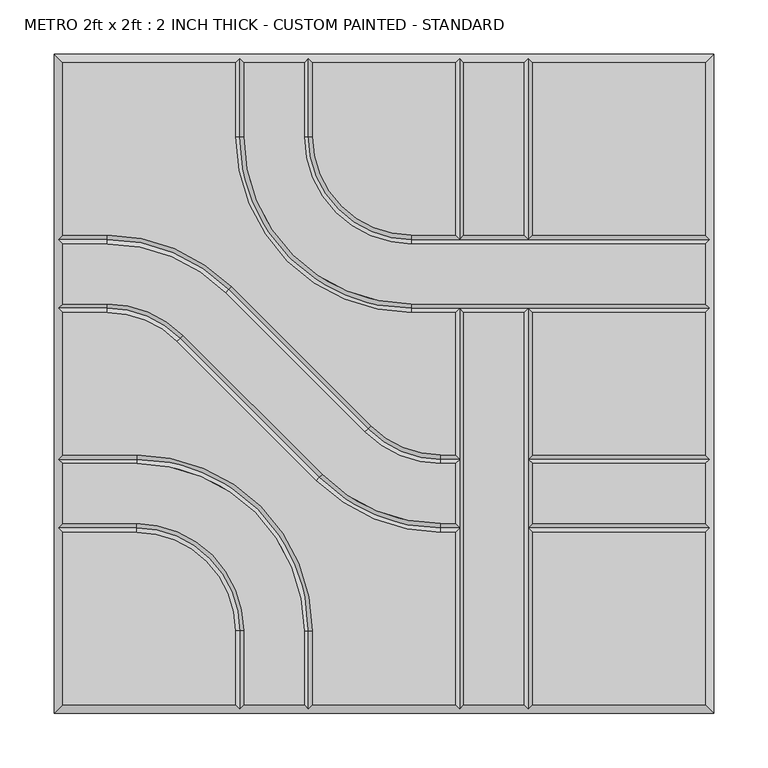
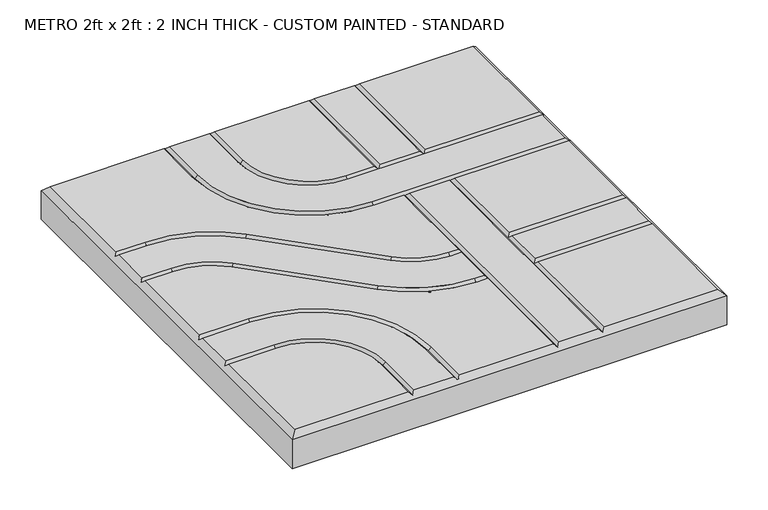
"""IFC4 building model written with IfcOpenShell, lengths in millimetres: proxy geometry, METRO 2ft x 2ft : 2 INCH THICK - CUSTOM PAINTED - STANDARD."""

from ifc_helpers import new_model, si_unit, frame, origin, place, context, project, spatial, polyline, circle_curve, source, transform, mapped, element, save
from ifc_brep_helpers import plane_surface, revolved_surface, advanced_brep


def metro_2ft_x_2ft_2_inch_thick_custom_painted_standard_fbb8f0d0(model_context):
    return source(origin(), model_context, "Body", "AdvancedBrep", [
        advanced_brep(
        [(-296.799, 296.799, 50.8), (-296.799, 137.3505125, 50.8), (-255.8081898, 137.3505125, 50.8), (-140.7286116, 89.6843987, 50.8), (-11.9143433, -39.124488, 50.8), (52.607449, -65.8495, 50.8), (65.8495, -65.8495, 50.8), (65.8495, 65.8494982, 50.8), (25.3995376, 65.8494982, 50.8), (-137.3509624, 228.5999982, 50.8), (-137.3509624, 296.799, 50.8), (296.799, 137.3504983, 50.8), (296.799, 296.799, 50.8), (137.3504989, 296.799, 50.8), (137.3504989, 137.3504983, 50.8), (-296.799, -137.3504992, 50.8), (-296.799, -296.799, 50.8), (-137.3505299, -296.799, 50.8), (-137.3505299, -228.5999992, 50.8), (-228.6000299, -137.3504992, 50.8), (137.3505, -296.799, 50.8), (296.799, -296.799, 50.8), (296.799, -137.3505, 50.8), (137.3505, -137.3505, 50.8), (52.607449, -73.8505, 50.8), (-17.5717865, -44.7821676, 50.8), (-146.3860548, 84.0267191, 50.8), (-255.8081898, 129.3495125, 50.8), (-296.799, 129.3495125, 50.8), (-296.799, 73.8505125, 50.8), (-255.8074396, 73.8505125, 50.8), (-185.6278585, 44.7818346, 50.8), (-56.8157432, -84.0261678, 50.8), (52.6069307, -129.3495, 50.8), (65.8495, -129.3495, 50.8), (65.8495, -73.8505, 50.8), (52.6069307, -137.3505, 50.8), (-62.4732142, -89.6838195, 50.8), (-191.2853295, 39.1241829, 50.8), (-255.8074396, 65.8495125, 50.8), (-296.799, 65.8495125, 50.8), (-296.799, -65.8494992, 50.8), (-228.6000171, -65.8494992, 50.8), (-65.8495171, -228.5999992, 50.8), (-65.8495171, -296.799, 50.8), (65.8495, -296.799, 50.8), (65.8495, -137.3505, 50.8), (-129.3495299, -228.5999992, 50.8), (-129.3495299, -296.799, 50.8), (-73.8505171, -296.799, 50.8), (-73.8505171, -228.5999992, 50.8), (-228.6000171, -73.8504992, 50.8), (-296.799, -73.8504992, 50.8), (-296.799, -129.3494992, 50.8), (-228.6000299, -129.3494992, 50.8), (-129.3499624, 296.799, 50.8), (-129.3499624, 228.5999982, 50.8), (25.3995376, 73.8504982, 50.8), (296.799, 73.8504982, 50.8), (296.799, 129.3494983, 50.8), (25.3995504, 129.3494983, 50.8), (-73.8509496, 228.5999983, 50.8), (-73.8509496, 296.799, 50.8), (-65.8499496, 296.799, 50.8), (-65.8499496, 228.5999983, 50.8), (25.3995504, 137.3504983, 50.8), (65.8494989, 137.3504983, 50.8), (65.8494989, 296.799, 50.8), (73.8504989, 296.799, 50.8), (73.8504989, 137.3504983, 50.8), (129.3494989, 137.3504983, 50.8), (129.3494989, 296.799, 50.8), (73.8505, 65.8494982, 50.8), (73.8505, -296.799, 50.8), (129.3495, -296.799, 50.8), (129.3495, 65.8494982, 50.8), (296.799, 65.8494982, 50.8), (137.3505, 65.8494982, 50.8), (137.3505, -65.8495, 50.8), (296.799, -65.8495, 50.8), (137.3505, -129.3495, 50.8), (296.799, -129.3495, 50.8), (296.799, -73.8505, 50.8), (137.3505, -73.8505, 50.8), (-304.8, 304.8, 0.0), (304.8, 304.8, 0.0), (304.8, -304.8, 0.0), (-304.8, -304.8, 0.0), (-304.8, -304.8, 42.799), (-304.8, 304.8, 42.799), (304.8, -304.8, 42.799), (304.8, 304.8, 42.799), (-133.3504624, 300.7995, 46.7995), (-69.8504496, 300.7995, 46.7995), (69.8499989, 300.7995, 46.7995), (133.3499989, 300.7995, 46.7995), (-300.7995, -133.3499992, 46.7995), (-300.7995, -69.8499992, 46.7995), (-300.7995, 69.8500125, 46.7995), (-300.7995, 133.3500125, 46.7995), (133.35, -300.7995, 46.7995), (69.85, -300.7995, 46.7995), (-69.8500171, -300.7995, 46.7995), (-133.3500299, -300.7995, 46.7995), (300.7995, 133.3499983, 46.7995), (300.7995, 69.8499982, 46.7995), (300.7995, -69.85, 46.7995), (300.7995, -133.35, 46.7995), (69.85, -69.85, 46.7995), (52.607449, -69.85, 46.7995), (-14.7430649, -41.9533278, 46.7995), (-143.5573332, 86.8555589, 46.7995), (-255.8081898, 133.3500125, 46.7995), (69.85, -133.35, 46.7995), (52.6069307, -133.35, 46.7995), (-59.6444787, -86.8549936, 46.7995), (-188.456594, 41.9530087, 46.7995), (-255.8074396, 69.8500125, 46.7995), (-133.3500299, -228.5999992, 46.7995), (-228.6000299, -133.3499992, 46.7995), (-228.6000171, -69.8499992, 46.7995), (-69.8500171, -228.5999992, 46.7995), (-133.3504624, 228.5999982, 46.7995), (25.3995376, 69.8499982, 46.7995), (69.85, 69.8499982, 46.7995), (133.35, 69.8499982, 46.7995), (-69.8504496, 228.5999983, 46.7995), (25.3995504, 133.3499983, 46.7995), (133.3499989, 133.3499983, 46.7995), (69.8499989, 133.3499983, 46.7995), (133.35, -133.35, 46.7995), (133.35, -69.85, 46.7995)],
        [
            (0, 1),
            (1, 2),
            (2, 3, circle_curve(frame((-255.8081898, -25.3999875, 50.8), z_axis=(0.0, 0.0, -1.0), x_axis=(0.7070920101993013, 0.7071215518652442, 0.0)), 162.7505)),
            (3, 4),
            (4, 5, circle_curve(frame((52.607449, 25.4, 50.8), z_axis=(0.0, 0.0, 1.0), x_axis=(0.0, -1.0, 0.0)), 91.2495)),
            (5, 6),
            (6, 7),
            (7, 8),
            (8, 9, circle_curve(frame((25.3995376, 228.5999982, 50.8), z_axis=(0.0, 0.0, -1.0), x_axis=(-1.0, 0.0, 0.0)), 162.7505)),
            (9, 10),
            (10, 0),
            (11, 12),
            (12, 13),
            (13, 14),
            (14, 11),
            (15, 16),
            (16, 17),
            (17, 18),
            (18, 19, circle_curve(frame((-228.6000299, -228.5999992, 50.8), z_axis=(0.0, 0.0, 1.0), x_axis=(1.0, 0.0, 0.0)), 91.2495)),
            (19, 15),
            (20, 21),
            (21, 22),
            (22, 23),
            (23, 20),
            (24, 25, circle_curve(frame((52.607449, 25.4, 50.8), z_axis=(0.0, 0.0, -1.0), x_axis=(0.0, -1.0, 0.0)), 99.2505)),
            (25, 26),
            (26, 27, circle_curve(frame((-255.8081898, -25.3999875, 50.8), z_axis=(0.0, 0.0, 1.0), x_axis=(0.7070920101993013, 0.7071215518652442, 0.0)), 154.7495)),
            (27, 28),
            (28, 29),
            (29, 30),
            (30, 31, circle_curve(frame((-255.8074396, -25.3999875, 50.8), z_axis=(0.0, 0.0, -1.0), x_axis=(0.7070954919838734, 0.7071180702089884, 0.0)), 99.2505)),
            (31, 32),
            (32, 33, circle_curve(frame((52.6069307, 25.4, 50.8), z_axis=(0.0, 0.0, 1.0), x_axis=(0.0, -1.0, 0.0)), 154.7495)),
            (33, 34),
            (34, 35),
            (35, 24),
            (36, 37, circle_curve(frame((52.6069307, 25.4, 50.8), z_axis=(0.0, 0.0, -1.0), x_axis=(0.0, -1.0, 0.0)), 162.7505)),
            (37, 38),
            (38, 39, circle_curve(frame((-255.8074396, -25.3999875, 50.8), z_axis=(0.0, 0.0, 1.0), x_axis=(0.7070954919838734, 0.7071180702089884, 0.0)), 91.2495)),
            (39, 40),
            (40, 41),
            (41, 42),
            (42, 43, circle_curve(frame((-228.6000171, -228.5999992, 50.8), z_axis=(0.0, 0.0, -1.0), x_axis=(0.0, 1.0, 0.0)), 162.7505)),
            (43, 44),
            (44, 45),
            (45, 46),
            (46, 36),
            (47, 48),
            (48, 49),
            (49, 50),
            (50, 51, circle_curve(frame((-228.6000171, -228.5999992, 50.8), z_axis=(0.0, 0.0, 1.0), x_axis=(0.0, 1.0, 0.0)), 154.7495)),
            (51, 52),
            (52, 53),
            (53, 54),
            (54, 47, circle_curve(frame((-228.6000299, -228.5999992, 50.8), z_axis=(0.0, 0.0, -1.0), x_axis=(1.0, 0.0, 0.0)), 99.2505)),
            (55, 56),
            (56, 57, circle_curve(frame((25.3995376, 228.5999982, 50.8), z_axis=(0.0, 0.0, 1.0), x_axis=(-1.0, 0.0, 0.0)), 154.7495)),
            (57, 58),
            (58, 59),
            (59, 60),
            (60, 61, circle_curve(frame((25.3995504, 228.5999983, 50.8), z_axis=(0.0, 0.0, -1.0), x_axis=(-1.0, 0.0, 0.0)), 99.2505)),
            (61, 62),
            (62, 55),
            (63, 64),
            (64, 65, circle_curve(frame((25.3995504, 228.5999983, 50.8), z_axis=(0.0, 0.0, 1.0), x_axis=(-1.0, 0.0, 0.0)), 91.2495)),
            (65, 66),
            (66, 67),
            (67, 63),
            (68, 69),
            (69, 70),
            (70, 71),
            (71, 68),
            (72, 73),
            (73, 74),
            (74, 75),
            (75, 72),
            (76, 77),
            (77, 78),
            (78, 79),
            (79, 76),
            (80, 81),
            (81, 82),
            (82, 83),
            (83, 80),
            (84, 85),
            (85, 86),
            (86, 87),
            (87, 84),
            (87, 88),
            (88, 89),
            (89, 84),
            (86, 90),
            (90, 88),
            (85, 91),
            (91, 90),
            (89, 91),
            (89, 0),
            (10, 92),
            (92, 55),
            (62, 93),
            (93, 63),
            (67, 94),
            (94, 68),
            (71, 95),
            (95, 13),
            (12, 91),
            (88, 16),
            (15, 96),
            (96, 53),
            (52, 97),
            (97, 41),
            (40, 98),
            (98, 29),
            (28, 99),
            (99, 1),
            (90, 21),
            (20, 100),
            (100, 74),
            (73, 101),
            (101, 45),
            (44, 102),
            (102, 49),
            (48, 103),
            (103, 17),
            (11, 104),
            (104, 59),
            (58, 105),
            (105, 76),
            (79, 106),
            (106, 82),
            (81, 107),
            (107, 22),
            (108, 109),
            (109, 24),
            (35, 108),
            (108, 6),
            (5, 109),
            (109, 110, circle_curve(frame((52.607449, 25.4, 46.7995), z_axis=(0.0, 0.0, -1.0), x_axis=(0.0, -1.0, 0.0)), 95.25)),
            (110, 25),
            (4, 110),
            (110, 111),
            (111, 26),
            (3, 111),
            (111, 112, circle_curve(frame((-255.8081898, -25.3999875, 46.7995), z_axis=(0.0, 0.0, 1.0), x_axis=(0.7070920101993013, 0.7071215518652442, 0.0)), 158.75)),
            (112, 27),
            (2, 112),
            (112, 99),
            (113, 114),
            (114, 36),
            (46, 113),
            (113, 34),
            (33, 114),
            (114, 115, circle_curve(frame((52.6069307, 25.4, 46.7995), z_axis=(0.0, 0.0, -1.0), x_axis=(0.0, -1.0, 0.0)), 158.75)),
            (115, 37),
            (32, 115),
            (115, 116),
            (116, 38),
            (31, 116),
            (116, 117, circle_curve(frame((-255.8074396, -25.3999875, 46.7995), z_axis=(0.0, 0.0, 1.0), x_axis=(0.7070954919838734, 0.7071180702089884, 0.0)), 95.25)),
            (117, 39),
            (30, 117),
            (117, 98),
            (118, 18),
            (103, 118),
            (47, 118),
            (118, 119, circle_curve(frame((-228.6000299, -228.5999992, 46.7995), z_axis=(0.0, 0.0, 1.0), x_axis=(1.0, 0.0, 0.0)), 95.25)),
            (119, 19),
            (54, 119),
            (119, 96),
            (120, 42),
            (97, 120),
            (51, 120),
            (120, 121, circle_curve(frame((-228.6000171, -228.5999992, 46.7995), z_axis=(0.0, 0.0, -1.0), x_axis=(0.0, 1.0, 0.0)), 158.75)),
            (121, 43),
            (50, 121),
            (121, 102),
            (122, 56),
            (92, 122),
            (9, 122),
            (122, 123, circle_curve(frame((25.3995376, 228.5999982, 46.7995), z_axis=(0.0, 0.0, 1.0), x_axis=(-1.0, 0.0, 0.0)), 158.75)),
            (123, 57),
            (8, 123),
            (123, 124),
            (124, 125),
            (125, 105),
            (125, 77),
            (7, 124),
            (124, 72),
            (75, 125),
            (126, 64),
            (93, 126),
            (61, 126),
            (126, 127, circle_curve(frame((25.3995504, 228.5999983, 46.7995), z_axis=(0.0, 0.0, 1.0), x_axis=(-1.0, 0.0, 0.0)), 95.25)),
            (127, 65),
            (60, 127),
            (14, 128),
            (128, 104),
            (127, 129),
            (129, 66),
            (69, 129),
            (129, 128),
            (128, 70),
            (129, 94),
            (128, 95),
            (108, 124),
            (113, 108),
            (101, 113),
            (100, 130),
            (130, 131),
            (131, 125),
            (23, 130),
            (131, 78),
            (130, 80),
            (83, 131),
            (107, 130),
            (106, 131),
        ],
        [
            plane_surface(frame((-304.8, 304.8, 50.8), z_axis=(0.0, 0.0, 1.0), x_axis=(0.0, -1.0, 0.0))),
            plane_surface(frame((-304.8, 304.8, 0.0), z_axis=(0.0, 0.0, -1.0), x_axis=(0.0, 1.0, 0.0))),
            plane_surface(frame((-304.8, 304.8, 50.8), z_axis=(-1.0, 0.0, 0.0), x_axis=(0.0, 0.0, -1.0))),
            plane_surface(frame((-304.8, -304.8, 50.8), z_axis=(0.0, -1.0, 0.0), x_axis=(0.0, 0.0, -1.0))),
            plane_surface(frame((304.8, -304.8, 50.8), z_axis=(1.0, 0.0, 0.0), x_axis=(0.0, 0.0, -1.0))),
            plane_surface(frame((304.8, 304.8, 50.8), z_axis=(0.0, 1.0, 0.0), x_axis=(0.0, 0.0, -1.0))),
            plane_surface(frame((296.799, 296.799, 50.8), z_axis=(0.0, 0.707106781186547, 0.7071067811865481), x_axis=(-1.0, 0.0, 0.0))),
            plane_surface(frame((-296.799, 296.799, 50.8), z_axis=(-0.707106781186547, 0.0, 0.7071067811865481), x_axis=(0.0, -1.0, 0.0))),
            plane_surface(frame((-296.799, -296.799, 50.8), z_axis=(0.0, -0.707106781186547, 0.7071067811865481), x_axis=(1.0, 0.0, 0.0))),
            plane_surface(frame((296.799, -296.799, 50.8), z_axis=(0.707106781186547, 0.0, 0.7071067811865481), x_axis=(0.0, 1.0, 0.0))),
            plane_surface(frame((69.85, -73.8505, 50.8), z_axis=(0.0, 0.7071067811865469, 0.7071067811865482), x_axis=(-1.0, 0.0, 0.0))),
            plane_surface(frame((69.85, -69.85, 46.7995), z_axis=(0.0, -0.7071067811865469, 0.7071067811865482), x_axis=(-1.0, 0.0, 0.0))),
            revolved_surface(polyline([(52.607449, -69.85, 46.7995), (52.607449, -73.8505, 50.8)]), (52.607449, 25.4, 50.8), (0.0, 0.0, -1.0)),
            revolved_surface(polyline([(52.607449, -65.8495, 50.8), (52.607449, -69.85, 46.7995)]), (52.607449, 25.4, 50.8), (0.0, 0.0, -1.0)),
            plane_surface(frame((-17.5717865, -44.7821676, 50.8), z_axis=(0.49998955533475287, 0.5000104444470687, 0.7071067811865481), x_axis=(-0.7071215518652442, 0.7070920101993012, 0.0))),
            plane_surface(frame((-14.7430649, -41.9533278, 46.7995), z_axis=(-0.49998955533475287, -0.5000104444470689, 0.7071067811865483), x_axis=(-0.7071215518652444, 0.7070920101993012, 0.0))),
            revolved_surface(polyline([(-143.5573332, 86.8555589, 46.7995), (-146.3860548, 84.0267191, 50.8)]), (-255.8081898, -25.3999875, 50.8), (0.0, 0.0, 1.0)),
            revolved_surface(polyline([(-140.7286116, 89.6843987, 50.8), (-143.5573332, 86.8555589, 46.7995)]), (-255.8081898, -25.3999875, 50.8), (0.0, 0.0, 1.0)),
            plane_surface(frame((-255.8081898, 129.3495125, 50.8), z_axis=(0.0, 0.7071067811865469, 0.7071067811865482), x_axis=(-1.0, 0.0, 0.0))),
            plane_surface(frame((-255.8081898, 133.3500125, 46.7995), z_axis=(0.0, -0.7071067811865469, 0.7071067811865482), x_axis=(-1.0, 0.0, 0.0))),
            plane_surface(frame((69.85, -137.3505, 50.8), z_axis=(0.0, 0.7071067811865471, 0.707106781186548), x_axis=(-1.0, 0.0, 0.0))),
            plane_surface(frame((69.85, -133.35, 46.7995), z_axis=(0.0, -0.7071067811865471, 0.707106781186548), x_axis=(-1.0, 0.0, 0.0))),
            revolved_surface(polyline([(52.6069307, -133.35, 46.7995), (52.6069307, -137.3505, 50.8)]), (52.6069307, 25.4, 50.8), (0.0, 0.0, -1.0)),
            revolved_surface(polyline([(52.6069307, -129.3495, 50.8), (52.6069307, -133.35, 46.7995)]), (52.6069307, 25.4, 50.8), (0.0, 0.0, -1.0)),
            plane_surface(frame((-62.4732142, -89.6838195, 50.8), z_axis=(0.49999201732823445, 0.5000079825443209, 0.7071067811865479), x_axis=(-0.7071180702089888, 0.7070954919838731, 0.0))),
            plane_surface(frame((-59.6444787, -86.8549936, 46.7995), z_axis=(-0.49999201732823445, -0.5000079825443208, 0.707106781186548), x_axis=(-0.7071180702089888, 0.7070954919838732, 0.0))),
            revolved_surface(polyline([(-188.456594, 41.9530087, 46.7995), (-191.2853295, 39.1241829, 50.8)]), (-255.8074396, -25.3999875, 50.8), (0.0, 0.0, 1.0)),
            revolved_surface(polyline([(-185.6278585, 44.7818346, 50.8), (-188.456594, 41.9530087, 46.7995)]), (-255.8074396, -25.3999875, 50.8), (0.0, 0.0, 1.0)),
            plane_surface(frame((-255.8074396, 65.8495125, 50.8), z_axis=(0.0, 0.7071067811865472, 0.7071067811865479), x_axis=(-1.0, 0.0, 0.0))),
            plane_surface(frame((-255.8074396, 69.8500125, 46.7995), z_axis=(0.0, -0.7071067811865472, 0.7071067811865479), x_axis=(-1.0, 0.0, 0.0))),
            plane_surface(frame((-137.3505299, -304.8, 50.8), z_axis=(0.707106781186547, 0.0, 0.7071067811865481), x_axis=(0.0, 1.0, 0.0))),
            plane_surface(frame((-133.3500299, -304.8, 46.7995), z_axis=(-0.707106781186547, 0.0, 0.7071067811865481), x_axis=(0.0, 1.0, 0.0))),
            revolved_surface(polyline([(-133.3500299, -228.5999992, 46.7995), (-137.3505299, -228.5999992, 50.8)]), (-228.6000299, -228.5999992, 50.8), (0.0, 0.0, 1.0)),
            revolved_surface(polyline([(-129.3495299, -228.5999992, 50.8), (-133.3500299, -228.5999992, 46.7995)]), (-228.6000299, -228.5999992, 50.8), (0.0, 0.0, 1.0)),
            plane_surface(frame((-228.6000299, -137.3504992, 50.8), z_axis=(0.0, 0.707106781186547, 0.7071067811865481), x_axis=(-1.0, 0.0, 0.0))),
            plane_surface(frame((-228.6000299, -133.3499992, 46.7995), z_axis=(0.0, -0.707106781186547, 0.7071067811865481), x_axis=(-1.0, 0.0, 0.0))),
            plane_surface(frame((-304.8, -65.8494992, 50.8), z_axis=(0.0, -0.707106781186547, 0.7071067811865481), x_axis=(1.0, 0.0, 0.0))),
            plane_surface(frame((-304.8, -69.8499992, 46.7995), z_axis=(0.0, 0.707106781186547, 0.7071067811865481), x_axis=(1.0, 0.0, 0.0))),
            revolved_surface(polyline([(-228.6000171, -69.8499992, 46.7995), (-228.6000171, -65.8494992, 50.8)]), (-228.6000171, -228.5999992, 50.8), (0.0, 0.0, -1.0)),
            revolved_surface(polyline([(-228.6000171, -73.8504992, 50.8), (-228.6000171, -69.8499992, 46.7995)]), (-228.6000171, -228.5999992, 50.8), (0.0, 0.0, -1.0)),
            plane_surface(frame((-65.8495171, -228.5999992, 50.8), z_axis=(-0.707106781186547, 0.0, 0.7071067811865481), x_axis=(0.0, -1.0, 0.0))),
            plane_surface(frame((-69.8500171, -228.5999992, 46.7995), z_axis=(0.707106781186547, 0.0, 0.7071067811865481), x_axis=(0.0, -1.0, 0.0))),
            plane_surface(frame((-129.3499624, 304.8, 50.8), z_axis=(-0.707106781186547, 0.0, 0.7071067811865481), x_axis=(0.0, -1.0, 0.0))),
            plane_surface(frame((-133.3504624, 304.8, 46.7995), z_axis=(0.707106781186547, 0.0, 0.7071067811865481), x_axis=(0.0, -1.0, 0.0))),
            revolved_surface(polyline([(-133.3504624, 228.5999982, 46.7995), (-129.3499624, 228.5999982, 50.8)]), (25.3995376, 228.5999982, 50.8), (0.0, 0.0, 1.0)),
            revolved_surface(polyline([(-137.3509624, 228.5999982, 50.8), (-133.3504624, 228.5999982, 46.7995)]), (25.3995376, 228.5999982, 50.8), (0.0, 0.0, 1.0)),
            plane_surface(frame((25.3995376, 73.8504982, 50.8), z_axis=(0.0, -0.707106781186547, 0.7071067811865481), x_axis=(1.0, 0.0, 0.0))),
            plane_surface(frame((25.3995376, 69.8499982, 46.7995), z_axis=(0.0, 0.707106781186547, 0.7071067811865481), x_axis=(1.0, 0.0, 0.0))),
            plane_surface(frame((-65.8499496, 304.8, 50.8), z_axis=(-0.707106781186547, 0.0, 0.7071067811865481), x_axis=(0.0, -1.0, 0.0))),
            plane_surface(frame((-69.8504496, 304.8, 46.7995), z_axis=(0.707106781186547, 0.0, 0.7071067811865481), x_axis=(0.0, -1.0, 0.0))),
            revolved_surface(polyline([(-69.8504496, 228.5999983, 46.7995), (-65.8499496, 228.5999983, 50.8)]), (25.3995504, 228.5999983, 50.8), (0.0, 0.0, 1.0)),
            revolved_surface(polyline([(-73.8509496, 228.5999983, 50.8), (-69.8504496, 228.5999983, 46.7995)]), (25.3995504, 228.5999983, 50.8), (0.0, 0.0, 1.0)),
            plane_surface(frame((25.3995504, 137.3504983, 50.8), z_axis=(0.0, -0.707106781186547, 0.7071067811865481), x_axis=(1.0, 0.0, 0.0))),
            plane_surface(frame((25.3995504, 133.3499983, 46.7995), z_axis=(0.0, 0.707106781186547, 0.7071067811865481), x_axis=(1.0, 0.0, 0.0))),
            plane_surface(frame((65.8494989, 133.35, 50.8), z_axis=(0.707106781186547, 0.0, 0.7071067811865481), x_axis=(0.0, 1.0, 0.0))),
            plane_surface(frame((69.8499989, 133.35, 46.7995), z_axis=(-0.707106781186547, 0.0, 0.7071067811865481), x_axis=(0.0, 1.0, 0.0))),
            plane_surface(frame((129.3494989, 133.35, 50.8), z_axis=(0.707106781186547, 0.0, 0.7071067811865481), x_axis=(0.0, 1.0, 0.0))),
            plane_surface(frame((133.3499989, 133.35, 46.7995), z_axis=(-0.707106781186547, 0.0, 0.7071067811865481), x_axis=(0.0, 1.0, 0.0))),
            plane_surface(frame((65.8495, -304.8, 50.8), z_axis=(0.707106781186547, 0.0, 0.7071067811865481), x_axis=(0.0, 1.0, 0.0))),
            plane_surface(frame((69.85, -304.8, 46.7995), z_axis=(-0.707106781186547, 0.0, 0.7071067811865481), x_axis=(0.0, 1.0, 0.0))),
            plane_surface(frame((129.3495, -304.8, 50.8), z_axis=(0.707106781186547, 0.0, 0.7071067811865481), x_axis=(0.0, 1.0, 0.0))),
            plane_surface(frame((133.35, -304.8, 46.7995), z_axis=(-0.707106781186547, 0.0, 0.7071067811865481), x_axis=(0.0, 1.0, 0.0))),
            plane_surface(frame((304.8, -137.3505, 50.8), z_axis=(0.0, 0.707106781186547, 0.7071067811865481), x_axis=(-1.0, 0.0, 0.0))),
            plane_surface(frame((304.8, -133.35, 46.7995), z_axis=(0.0, -0.707106781186547, 0.7071067811865481), x_axis=(-1.0, 0.0, 0.0))),
            plane_surface(frame((304.8, -73.8505, 50.8), z_axis=(0.0, 0.707106781186547, 0.7071067811865481), x_axis=(-1.0, 0.0, 0.0))),
            plane_surface(frame((304.8, -69.85, 46.7995), z_axis=(0.0, -0.707106781186547, 0.7071067811865481), x_axis=(-1.0, 0.0, 0.0))),
        ],
        [
            (0, [[1, 2, 3, 4, 5, 6, 7, 8, 9, 10, 11]]),
            (0, [[12, 13, 14, 15]]),
            (0, [[16, 17, 18, 19, 20]]),
            (0, [[21, 22, 23, 24]]),
            (0, [[25, 26, 27, 28, 29, 30, 31, 32, 33, 34, 35, 36]]),
            (0, [[37, 38, 39, 40, 41, 42, 43, 44, 45, 46, 47]]),
            (0, [[48, 49, 50, 51, 52, 53, 54, 55]]),
            (0, [[56, 57, 58, 59, 60, 61, 62, 63]]),
            (0, [[64, 65, 66, 67, 68]]),
            (0, [[69, 70, 71, 72]]),
            (0, [[73, 74, 75, 76]]),
            (0, [[77, 78, 79, 80]]),
            (0, [[81, 82, 83, 84]]),
            (1, [[85, 86, 87, 88]]),
            (2, [[-88, 89, 90, 91]]),
            (3, [[-87, 92, 93, -89]]),
            (4, [[-86, 94, 95, -92]]),
            (5, [[-85, -91, 96, -94]]),
            (6, [[97, -11, 98, 99, -63, 100, 101, -68, 102, 103, -72, 104, 105, -13, 106, -96]]),
            (7, [[-97, -90, 107, -16, 108, 109, -53, 110, 111, -41, 112, 113, -29, 114, 115, -1]]),
            (8, [[-107, -93, 116, -21, 117, 118, -74, 119, 120, -45, 121, 122, -49, 123, 124, -17]]),
            (9, [[-106, -12, 125, 126, -59, 127, 128, -80, 129, 130, -82, 131, 132, -22, -116, -95]]),
            (10, [[133, 134, -36, 135]]),
            (11, [[-133, 136, -6, 137]]),
            (12, [[-134, 138, 139, -25]]),
            (13, [[-137, -5, 140, -138]]),
            (14, [[-139, 141, 142, -26]]),
            (15, [[-140, -4, 143, -141]]),
            (16, [[-142, 144, 145, -27]]),
            (17, [[-143, -3, 146, -144]]),
            (18, [[-145, 147, -114, -28]]),
            (19, [[-146, -2, -115, -147]]),
            (20, [[148, 149, -47, 150]]),
            (21, [[-148, 151, -34, 152]]),
            (22, [[-149, 153, 154, -37]]),
            (23, [[-152, -33, 155, -153]]),
            (24, [[-154, 156, 157, -38]]),
            (25, [[-155, -32, 158, -156]]),
            (26, [[-157, 159, 160, -39]]),
            (27, [[-158, -31, 161, -159]]),
            (28, [[-160, 162, -112, -40]]),
            (29, [[-161, -30, -113, -162]]),
            (30, [[163, -18, -124, 164]]),
            (31, [[165, -164, -123, -48]]),
            (32, [[-163, 166, 167, -19]]),
            (33, [[-165, -55, 168, -166]]),
            (34, [[-167, 169, -108, -20]]),
            (35, [[-168, -54, -109, -169]]),
            (36, [[170, -42, -111, 171]]),
            (37, [[172, -171, -110, -52]]),
            (38, [[-170, 173, 174, -43]]),
            (39, [[-172, -51, 175, -173]]),
            (40, [[-174, 176, -121, -44]]),
            (41, [[-175, -50, -122, -176]]),
            (42, [[177, -56, -99, 178]]),
            (43, [[179, -178, -98, -10]]),
            (44, [[-177, 180, 181, -57]]),
            (45, [[-179, -9, 182, -180]]),
            (46, [[-181, 183, 184, 185, -127, -58]]),
            (47, [[-128, -185, 186, -77]]),
            (47, [[-182, -8, 187, -183]]),
            (47, [[188, -76, 189, -184]]),
            (48, [[190, -64, -101, 191]]),
            (49, [[192, -191, -100, -62]]),
            (50, [[-190, 193, 194, -65]]),
            (51, [[-192, -61, 195, -193]]),
            (52, [[-125, -15, 196, 197]]),
            (52, [[-194, 198, 199, -66]]),
            (52, [[200, 201, 202, -70]]),
            (53, [[-195, -60, -126, -197, -201, -198]]),
            (54, [[203, -102, -67, -199]]),
            (55, [[-203, -200, -69, -103]]),
            (56, [[204, -104, -71, -202]]),
            (57, [[-204, -196, -14, -105]]),
            (58, [[205, -187, -7, -136]]),
            (58, [[206, -135, -35, -151]]),
            (58, [[207, -150, -46, -120]]),
            (59, [[-205, -206, -207, -119, -73, -188]]),
            (60, [[-75, -118, 208, 209, 210, -189]]),
            (61, [[-117, -24, 211, -208]]),
            (61, [[-186, -210, 212, -78]]),
            (61, [[213, -84, 214, -209]]),
            (62, [[215, -211, -23, -132]]),
            (63, [[-215, -131, -81, -213]]),
            (64, [[216, -214, -83, -130]]),
            (65, [[-216, -129, -79, -212]]),
        ],
    ),
    ])


if __name__ == "__main__":
    model = new_model("IFC4")
    model_context = context("Model", 3, world=origin())
    ifc_project = project(units=[si_unit("LENGTHUNIT", "METRE", prefix="MILLI")], contexts=[model_context])
    site = spatial("IfcSite", under=ifc_project)
    building = spatial("IfcBuilding", under=site)
    placement = place(None, origin())
    metro_2ft_x_2ft_2_inch_thick_custom_painted_standard_shape = metro_2ft_x_2ft_2_inch_thick_custom_painted_standard_fbb8f0d0(model_context)
    element("IfcBuildingElementProxy", 1, Name="METRO 2ft x 2ft : 2 INCH THICK - CUSTOM PAINTED - STANDARD", ObjectType="METRO 2ft x 2ft : 2 INCH THICK - CUSTOM PAINTED - STANDARD", at=placement, inside=building, context=model_context, shape_type="MappedRepresentation", body=[
        mapped(metro_2ft_x_2ft_2_inch_thick_custom_painted_standard_shape, transform((0.0, 0.0, 0.0), x_axis=(1.0, 0.0, 0.0), y_axis=(0.0, 1.0, 0.0), z_axis=(0.0, 0.0, 1.0))),
    ])
    save(model, "model.ifc")
